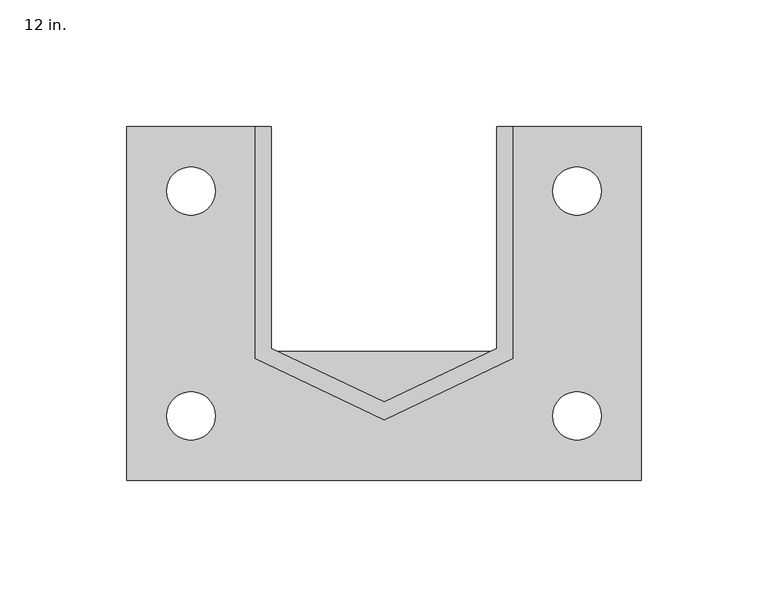
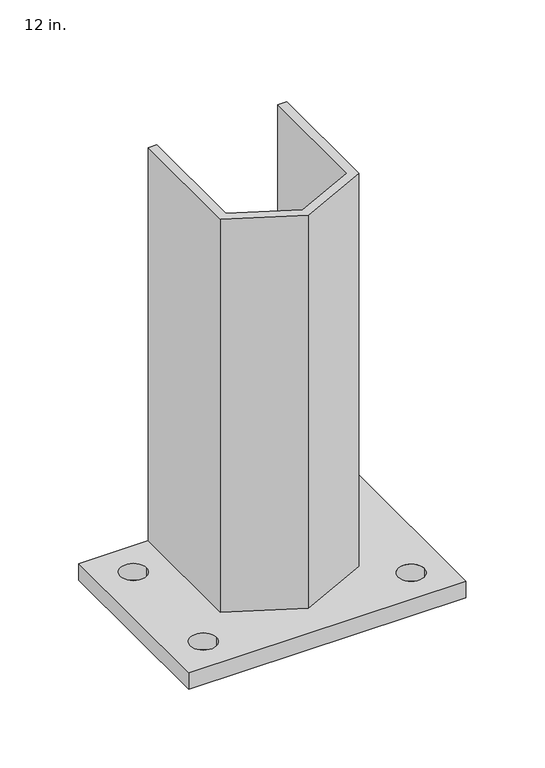
"""IFC4 building model written with IfcOpenShell, lengths in millimetres: proxy geometry, 12 in.."""

from ifc_helpers import new_model, si_unit, point, frame, frame_2d, origin, origin_with_axes, place, context, project, spatial, polyline, circle_curve, trimmed, segment, composite_curve, outline, extrude, source, transform, mapped, element, save


def proxy_12_in_4e524c29(model_context):
    return source(origin(), model_context, "Body", "SweptSolid", [
        extrude(outline(polyline([(-44.45, 1.3138949), (0.0, -19.9159558), (44.45, 1.3138949), (44.45, 88.9), (50.8, 88.9), (50.8, -2.6903562), (0.0, -26.9530428), (-50.8, -2.6903562), (-50.8, 88.9), (-44.45, 88.9), (-44.45, 1.3138949)])), frame((0.0, 0.0, 12.7), z_axis=(0.0, 0.0, 1.0), x_axis=(1.0, 0.0, 0.0)), (0.0, 0.0, 1.0), 304.8),
        extrude(outline(polyline([(101.6, -50.8), (-101.6, -50.8), (-101.6, 88.9), (-44.45, 88.9), (-44.45, 0.0), (44.45, 0.0), (44.45, 88.9), (101.6, 88.9), (101.6, -50.8)]), holes=[composite_curve([segment(trimmed(circle_curve(frame_2d((-76.2, -25.4)), 9.525), [point((-85.725, -25.4))], [point((-66.675, -25.4))], True, "CARTESIAN"), True, "CONTINUOUS"), segment(trimmed(circle_curve(frame_2d((-76.2, -25.4)), 9.525), [point((-66.675, -25.4))], [point((-85.725, -25.4))], True, "CARTESIAN"), True, "CONTINUOUS")], self_intersect=False), composite_curve([segment(trimmed(circle_curve(frame_2d((76.2, -25.4)), 9.525), [point((66.675, -25.4))], [point((85.725, -25.4))], True, "CARTESIAN"), True, "CONTINUOUS"), segment(trimmed(circle_curve(frame_2d((76.2, -25.4)), 9.525), [point((85.725, -25.4))], [point((66.675, -25.4))], True, "CARTESIAN"), True, "CONTINUOUS")], self_intersect=False), composite_curve([segment(trimmed(circle_curve(frame_2d((-76.2, 63.5)), 9.525), [point((-85.725, 63.5))], [point((-66.675, 63.5))], True, "CARTESIAN"), True, "CONTINUOUS"), segment(trimmed(circle_curve(frame_2d((-76.2, 63.5)), 9.525), [point((-66.675, 63.5))], [point((-85.725, 63.5))], True, "CARTESIAN"), True, "CONTINUOUS")], self_intersect=False), composite_curve([segment(trimmed(circle_curve(frame_2d((76.2, 63.5)), 9.525), [point((66.675, 63.5))], [point((85.725, 63.5))], True, "CARTESIAN"), True, "CONTINUOUS"), segment(trimmed(circle_curve(frame_2d((76.2, 63.5)), 9.525), [point((85.725, 63.5))], [point((66.675, 63.5))], True, "CARTESIAN"), True, "CONTINUOUS")], self_intersect=False)]), origin_with_axes(), (0.0, 0.0, 1.0), 12.7),
    ])


if __name__ == "__main__":
    model = new_model("IFC4")
    model_context = context("Model", 3, world=origin())
    ifc_project = project(units=[si_unit("LENGTHUNIT", "METRE", prefix="MILLI")], contexts=[model_context])
    site = spatial("IfcSite", under=ifc_project)
    building = spatial("IfcBuilding", under=site)
    placement = place(None, origin())
    proxy_12_in_shape = proxy_12_in_4e524c29(model_context)
    element("IfcBuildingElementProxy", 1, Name="12 in.", ObjectType="12 in.", at=placement, inside=building, context=model_context, shape_type="MappedRepresentation", body=[
        mapped(proxy_12_in_shape, transform((0.0, 0.0, 0.0), x_axis=(1.0, 0.0, 0.0), y_axis=(0.0, 1.0, 0.0), z_axis=(0.0, 0.0, 1.0))),
    ])
    save(model, "model.ifc")
